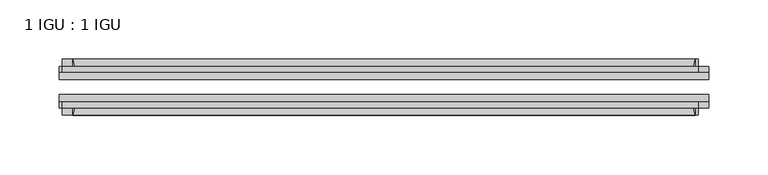
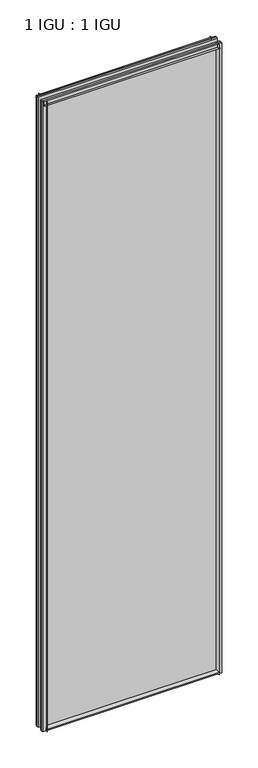
"""IFC4 building model written with IfcOpenShell, lengths in millimetres: plate geometry, 1 IGU : 1 IGU."""

from ifc_helpers import new_model, si_unit, point, frame, frame_2d, origin, place, context, project, spatial, polyline, circle_curve, trimmed, segment, composite_curve, outline, extrude, source, transform, mapped, element, save


def plate_1_igu_1_igu_a55d4e94(model_context):
    return source(origin(), model_context, "Body", "SweptSolid", [
        extrude(outline(composite_curve([segment(polyline([(-74.6252, -8.73125), (-74.6252, -0.0097454), (-80.6504332, -0.0097454)]), True, "CONTINUOUS"), segment(trimmed(circle_curve(frame_2d((-86.2258203, 32.2797688)), 32.7673262), [point((-80.6504332, -0.0097454))], [point((-69.85, 3.8979053))], True, "CARTESIAN"), True, "CONTINUOUS"), segment(polyline([(-69.85, 3.8979053), (-69.85, -8.73125), (-74.6252, -8.73125)]), True, "CONTINUOUS")], self_intersect=False)), frame((-262.0704531, 0.0, 0.0), z_axis=(1.0, 0.0, 0.0), x_axis=(0.0, 1.0, 0.0)), (0.0, 0.0, 1.0), 524.1409062),
        extrude(outline(composite_curve([segment(polyline([(-39.6748, -8.73125), (-44.45, -8.73125), (-44.45, 3.8979053)]), True, "CONTINUOUS"), segment(trimmed(circle_curve(frame_2d((-28.0741797, 32.2797688)), 32.7673262), [point((-44.45, 3.8979053))], [point((-33.6495668, -0.0097454))], True, "CARTESIAN"), True, "CONTINUOUS"), segment(polyline([(-33.6495668, -0.0097454), (-39.6748, -0.0097454), (-39.6748, -8.73125)]), True, "CONTINUOUS")], self_intersect=False)), frame((-262.0704531, 0.0, 0.0), z_axis=(1.0, 0.0, 0.0), x_axis=(0.0, 1.0, 0.0)), (0.0, 0.0, 1.0), 524.1409062),
        extrude(outline(composite_curve([segment(polyline([(-80.5942, 2012.1562438), (-74.6252, 2012.1562438), (-74.6252, 2023.2687438), (-69.85, 2023.2687438), (-69.85, 2008.2583533)]), True, "CONTINUOUS"), segment(trimmed(circle_curve(frame_2d((-86.2258203, 1979.8764898)), 32.7673262), [point((-69.85, 2008.2583533))], [point((-80.5942, 2012.1562438))], True, "CARTESIAN"), True, "CONTINUOUS")], self_intersect=False)), frame((-270.5831918, 0.0, 0.0), z_axis=(1.0, 0.0, 0.0), x_axis=(0.0, 1.0, 0.0)), (0.0, 0.0, 1.0), 535.1996064),
        extrude(outline(composite_curve([segment(polyline([(-39.6748, 2023.2687438), (-39.6748, 2012.1562438), (-33.7058, 2012.1562438)]), True, "CONTINUOUS"), segment(trimmed(circle_curve(frame_2d((-28.0741797, 1979.8764898)), 32.7673262), [point((-33.7058, 2012.1562438))], [point((-44.45, 2008.2583533))], True, "CARTESIAN"), True, "CONTINUOUS"), segment(polyline([(-44.45, 2008.2583533), (-44.45, 2023.2687438), (-39.6748, 2023.2687438)]), True, "CONTINUOUS")], self_intersect=False)), frame((-270.5831918, 0.0, 0.0), z_axis=(1.0, 0.0, 0.0), x_axis=(0.0, 1.0, 0.0)), (0.0, 0.0, 1.0), 535.1996064),
        extrude(outline(composite_curve([segment(polyline([(273.1829531, -39.6748), (273.1829531, -44.45), (258.1725626, -44.45)]), True, "CONTINUOUS"), segment(trimmed(circle_curve(frame_2d((229.7906992, -28.0741797)), 32.7673262), [point((258.1725626, -44.45))], [point((262.0704531, -33.7058))], True, "CARTESIAN"), True, "CONTINUOUS"), segment(polyline([(262.0704531, -33.7058), (262.0704531, -39.6748), (273.1829531, -39.6748)]), True, "CONTINUOUS")], self_intersect=False)), frame((0.0, 0.0, -8.73125), z_axis=(0.0, 0.0, 1.0), x_axis=(1.0, 0.0, 0.0)), (0.0, 0.0, 1.0), 2031.9999938),
        extrude(outline(composite_curve([segment(polyline([(273.1829531, -69.85), (273.1829531, -74.6252), (262.0704531, -74.6252), (262.0704531, -80.5942)]), True, "CONTINUOUS"), segment(trimmed(circle_curve(frame_2d((229.7906992, -86.2258203)), 32.7673262), [point((262.0704531, -80.5942))], [point((258.1725626, -69.85))], True, "CARTESIAN"), True, "CONTINUOUS"), segment(polyline([(258.1725626, -69.85), (273.1829531, -69.85)]), True, "CONTINUOUS")], self_intersect=False)), frame((0.0, 0.0, -8.73125), z_axis=(0.0, 0.0, 1.0), x_axis=(1.0, 0.0, 0.0)), (0.0, 0.0, 1.0), 2031.9999938),
        extrude(outline(composite_curve([segment(polyline([(-273.1829531, -39.6748), (-262.0704531, -39.6748), (-262.0704531, -33.7058)]), True, "CONTINUOUS"), segment(trimmed(circle_curve(frame_2d((-229.7906992, -28.0741797)), 32.7673262), [point((-262.0704531, -33.7058))], [point((-258.1725626, -44.45))], True, "CARTESIAN"), True, "CONTINUOUS"), segment(polyline([(-258.1725626, -44.45), (-273.1829531, -44.45), (-273.1829531, -39.6748)]), True, "CONTINUOUS")], self_intersect=False)), frame((0.0, 0.0, -8.73125), z_axis=(0.0, 0.0, 1.0), x_axis=(1.0, 0.0, 0.0)), (0.0, 0.0, 1.0), 2031.9999938),
        extrude(outline(composite_curve([segment(polyline([(-273.1829531, -74.6252), (-273.1829531, -69.85), (-258.1725626, -69.85)]), True, "CONTINUOUS"), segment(trimmed(circle_curve(frame_2d((-229.7906992, -86.2258203)), 32.7673262), [point((-258.1725626, -69.85))], [point((-262.0704531, -80.5942))], True, "CARTESIAN"), True, "CONTINUOUS"), segment(polyline([(-262.0704531, -80.5942), (-262.0704531, -74.6252), (-273.1829531, -74.6252)]), True, "CONTINUOUS")], self_intersect=False)), frame((0.0, 0.0, -8.73125), z_axis=(0.0, 0.0, 1.0), x_axis=(1.0, 0.0, 0.0)), (0.0, 0.0, 1.0), 2031.9999938),
        extrude(outline(polyline([(-273.1829531, -69.85), (-273.1829531, -63.5508), (273.1829531, -63.5508), (273.1829531, -69.85), (-273.1829531, -69.85)])), frame((0.0, 0.0, -8.73125), z_axis=(0.0, 0.0, 1.0), x_axis=(1.0, 0.0, 0.0)), (0.0, 0.0, 1.0), 2031.9999938),
        extrude(outline(polyline([(273.1829531, -50.7492), (-273.1829531, -50.7492), (-273.1829531, -44.45), (273.1829531, -44.45), (273.1829531, -50.7492)])), frame((0.0, 0.0, -8.73125), z_axis=(0.0, 0.0, 1.0), x_axis=(1.0, 0.0, 0.0)), (0.0, 0.0, 1.0), 2031.9999938),
    ])


if __name__ == "__main__":
    model = new_model("IFC4")
    model_context = context("Model", 3, world=origin())
    ifc_project = project(units=[si_unit("LENGTHUNIT", "METRE", prefix="MILLI")], contexts=[model_context])
    site = spatial("IfcSite", under=ifc_project)
    building = spatial("IfcBuilding", under=site)
    placement = place(None, origin())
    plate_1_igu_1_igu_shape = plate_1_igu_1_igu_a55d4e94(model_context)
    element("IfcPlate", 1, ObjectType="1 IGU : 1 IGU", at=placement, inside=building, context=model_context, shape_type="MappedRepresentation", body=[
        mapped(plate_1_igu_1_igu_shape, transform((0.0, 0.0, 0.0), x_axis=(1.0, 0.0, 0.0), y_axis=(0.0, 1.0, 0.0), z_axis=(0.0, 0.0, 1.0))),
    ])
    save(model, "model.ifc")
